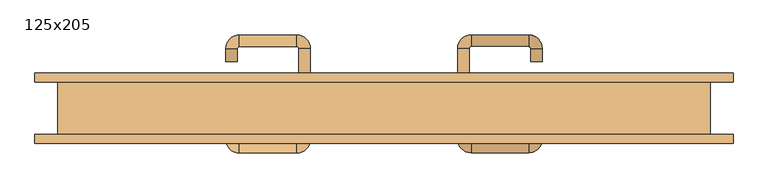
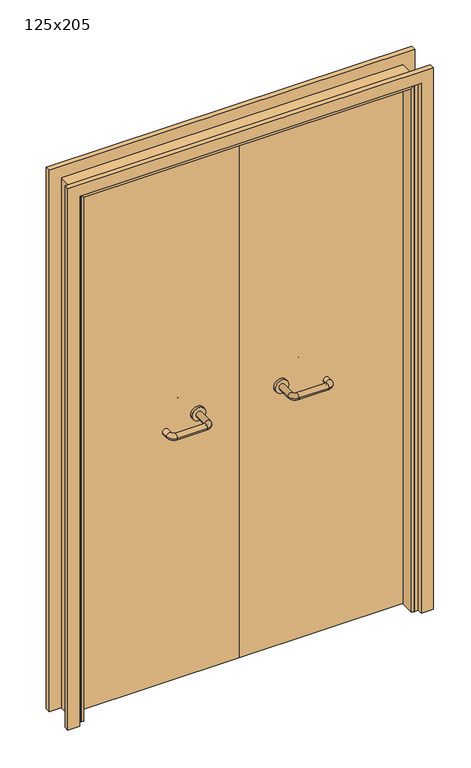
"""IFC4 building model written with IfcOpenShell, lengths in millimetres: door geometry, 125x205."""

from ifc_helpers import new_model, si_unit, point, frame, frame_2d, origin, place, context, project, spatial, polyline, circle_curve, ellipse_curve, trimmed, segment, composite_curve, outline, extrude, faceted_brep, source, transform, mapped, element, save
from ifc_brep_helpers import plane_surface, cylinder_surface, revolved_surface, advanced_brep


def door_125x205_341a5935(model_context):
    return source(origin(), model_context, "Body", "SolidModel", [
        faceted_brep([(-600.0, 3.0, 0.0), (-600.0, -49.0, 0.0), (-610.0, -49.0, 0.0), (-610.0, 3.0, 0.0), (-600.0, 3.0, 2025.0), (-600.0, -49.0, 2025.0), (-610.0, -49.0, 2035.0), (-610.0, 3.0, 2035.0), (600.0, 3.0, 0.0), (610.0, 3.0, 0.0), (610.0, -49.0, 0.0), (600.0, -49.0, 0.0), (600.0, 3.0, 2025.0), (610.0, 3.0, 2035.0), (610.0, -49.0, 2035.0), (600.0, -49.0, 2025.0)], [[[0, 1, 2, 3]], [[1, 0, 4, 5]], [[2, 1, 5, 6]], [[3, 2, 6, 7]], [[0, 3, 7, 4]], [[8, 9, 10, 11]], [[12, 13, 9, 8]], [[13, 14, 10, 9]], [[14, 15, 11, 10]], [[15, 12, 8, 11]], [[5, 4, 12, 15]], [[6, 5, 15, 14]], [[7, 6, 14, 13]], [[4, 7, 13, 12]]]),
        extrude(outline(polyline([(2094.0, 669.0), (2094.0, -669.0), (0.0, -669.0), (0.0, -625.0), (2050.0, -625.0), (2050.0, 625.0), (0.0, 625.0), (0.0, 669.0), (2094.0, 669.0)])), frame((0.0, 50.0, 0.0), z_axis=(0.0, 1.0, 0.0), x_axis=(0.0, 0.0, 1.0)), (0.0, 0.0, 1.0), 18.0),
        extrude(outline(polyline([(2094.0, -669.0), (0.0, -669.0), (0.0, -625.0), (2050.0, -625.0), (2050.0, 625.0), (0.0, 625.0), (0.0, 669.0), (2094.0, 669.0), (2094.0, -669.0)])), frame((0.0, -68.0, 0.0), z_axis=(0.0, 1.0, 0.0), x_axis=(0.0, 0.0, 1.0)), (0.0, 0.0, 1.0), 18.0),
        extrude(outline(polyline([(2050.0, -625.0), (0.0, -625.0), (0.0, -610.0), (2035.0, -610.0), (2035.0, 610.0), (0.0, 610.0), (0.0, 625.0), (2050.0, 625.0), (2050.0, -625.0)])), frame((0.0, -49.0, 0.0), z_axis=(0.0, 1.0, 0.0), x_axis=(0.0, 0.0, 1.0)), (0.0, 0.0, 1.0), 99.0),
        advanced_brep(
        [(140.99898, -4.0, 1003.0), (162.99898, -4.0, 1003.0), (140.99898, -59.3525369, 1003.0), (162.99898, -59.3525369, 1003.0), (166.99898, -63.3525369, 1003.0), (166.99898, -85.3525369, 1003.0), (276.99898, -85.3525369, 1003.0), (276.99898, -63.3525369, 1003.0), (280.99898, -59.3525369, 1003.0), (302.99898, -59.3525369, 1003.0), (302.99898, -42.0, 1003.0), (280.99898, -42.0, 1003.0)],
        [
            (0, 1, circle_curve(frame((151.99898, -4.0, 1003.0), z_axis=(0.0, 1.0, 0.0), x_axis=(1.0, 0.0, 0.0)), 11.0)),
            (1, 0, circle_curve(frame((151.99898, -4.0, 1003.0), z_axis=(0.0, 1.0, 0.0), x_axis=(1.0, 0.0, 0.0)), 11.0)),
            (0, 2),
            (2, 3, circle_curve(frame((151.99898, -59.3525369, 1003.0), z_axis=(0.0, 1.0, 0.0), x_axis=(1.0, 0.0, 0.0)), 11.0)),
            (3, 1),
            (3, 2, circle_curve(frame((151.99898, -59.3525369, 1003.0), z_axis=(0.0, 1.0, 0.0), x_axis=(1.0, 0.0, 0.0)), 11.0)),
            (4, 3, circle_curve(frame((166.99898, -59.3525369, 1003.0), z_axis=(0.0, 0.0, -1.0), x_axis=(-1.0, 0.0, 0.0)), 4.0)),
            (2, 5, circle_curve(frame((166.99898, -59.3525369, 1003.0), z_axis=(0.0, 0.0, 1.0), x_axis=(-1.0, 0.0, 0.0)), 26.0)),
            (5, 4, circle_curve(frame((166.99898, -74.3525369, 1003.0), z_axis=(-1.0, 0.0, 0.0), x_axis=(0.0, 1.0, 0.0)), 11.0)),
            (4, 5, circle_curve(frame((166.99898, -74.3525369, 1003.0), z_axis=(-1.0, 0.0, 0.0), x_axis=(0.0, 1.0, 0.0)), 11.0)),
            (5, 6),
            (6, 7, circle_curve(frame((276.99898, -74.3525369, 1003.0), z_axis=(-1.0, 0.0, 0.0), x_axis=(0.0, 1.0, 0.0)), 11.0)),
            (7, 4),
            (7, 6, circle_curve(frame((276.99898, -74.3525369, 1003.0), z_axis=(-1.0, 0.0, 0.0), x_axis=(0.0, 1.0, 0.0)), 11.0)),
            (8, 7, circle_curve(frame((276.99898, -59.3525369, 1003.0), z_axis=(0.0, 0.0, -1.0), x_axis=(0.0, -1.0, 0.0)), 4.0)),
            (6, 9, circle_curve(frame((276.99898, -59.3525369, 1003.0), z_axis=(0.0, 0.0, 1.0), x_axis=(0.0, -1.0, 0.0)), 26.0)),
            (9, 8, circle_curve(frame((291.99898, -59.3525369, 1003.0), z_axis=(0.0, -1.0, 0.0), x_axis=(-1.0, 0.0, 0.0)), 11.0)),
            (8, 9, circle_curve(frame((291.99898, -59.3525369, 1003.0), z_axis=(0.0, -1.0, 0.0), x_axis=(-1.0, 0.0, 0.0)), 11.0)),
            (10, 11, circle_curve(frame((291.99898, -42.0, 1003.0), z_axis=(0.0, 1.0, 0.0), x_axis=(-1.0, 0.0, 0.0)), 11.0)),
            (11, 10, circle_curve(frame((291.99898, -42.0, 1003.0), z_axis=(0.0, 1.0, 0.0), x_axis=(-1.0, 0.0, 0.0)), 11.0)),
            (9, 10),
            (11, 8),
        ],
        [
            plane_surface(frame((140.99898, -4.0, 1003.0), z_axis=(0.0, 1.0, 0.0), x_axis=(0.0, 0.0, -1.0))),
            cylinder_surface(frame((151.99898, -4.0, 1003.0), z_axis=(0.0, 1.0, 0.0), x_axis=(1.0, 0.0, 0.0)), 11.0),
            revolved_surface(trimmed(ellipse_curve(frame((151.99898, -59.3525369, 1003.0), z_axis=(0.0, 1.0, 0.0), x_axis=(1.0, 0.0, 0.0)), 11.0, 11.0), [point((140.99898, -59.3525369, 1003.0))], [point((162.99898, -59.3525369, 1003.0))], True, "CARTESIAN"), (166.99898, -59.3525369, 1003.0), (0.0, 0.0, 1.0)),
            revolved_surface(trimmed(ellipse_curve(frame((151.99898, -59.3525369, 1003.0), z_axis=(0.0, 1.0, 0.0), x_axis=(1.0, 0.0, 0.0)), 11.0, 11.0), [point((162.99898, -59.3525369, 1003.0))], [point((140.99898, -59.3525369, 1003.0))], True, "CARTESIAN"), (166.99898, -59.3525369, 1003.0), (0.0, 0.0, 1.0)),
            cylinder_surface(frame((166.99898, -74.3525369, 1003.0), z_axis=(-1.0, 0.0, 0.0), x_axis=(0.0, 1.0, 0.0)), 11.0),
            revolved_surface(trimmed(ellipse_curve(frame((276.99898, -74.3525369, 1003.0), z_axis=(-1.0, 0.0, 0.0), x_axis=(0.0, 1.0, 0.0)), 11.0, 11.0), [point((276.99898, -85.3525369, 1003.0))], [point((276.99898, -63.3525369, 1003.0))], True, "CARTESIAN"), (276.99898, -59.3525369, 1003.0), (0.0, 0.0, 1.0)),
            revolved_surface(trimmed(ellipse_curve(frame((276.99898, -74.3525369, 1003.0), z_axis=(-1.0, 0.0, 0.0), x_axis=(0.0, 1.0, 0.0)), 11.0, 11.0), [point((276.99898, -63.3525369, 1003.0))], [point((276.99898, -85.3525369, 1003.0))], True, "CARTESIAN"), (276.99898, -59.3525369, 1003.0), (0.0, 0.0, 1.0)),
            plane_surface(frame((280.99898, -42.0, 1003.0), z_axis=(0.0, 1.0, 0.0), x_axis=(0.0, 0.0, 1.0))),
            cylinder_surface(frame((291.99898, -59.3525369, 1003.0), z_axis=(0.0, -1.0, 0.0), x_axis=(-1.0, 0.0, 0.0)), 11.0),
        ],
        [
            (0, [[1, 2]]),
            (1, [[-1, 3, 4, 5]]),
            (1, [[-2, -5, 6, -3]]),
            (2, [[7, -4, 8, 9]]),
            (3, [[-8, -6, -7, 10]]),
            (4, [[-9, 11, 12, 13]]),
            (4, [[-10, -13, 14, -11]]),
            (5, [[15, -12, 16, 17]]),
            (6, [[-16, -14, -15, 18]]),
            (7, [[19, 20]]),
            (8, [[-17, 21, -20, 22]]),
            (8, [[-18, -22, -19, -21]]),
        ],
    ),
        extrude(outline(composite_curve([segment(trimmed(circle_curve(frame_2d((1003.0, 151.99898)), 25.0), [point((1003.0, 126.99898))], [point((1003.0, 176.99898))], False, "CARTESIAN"), True, "CONTINUOUS"), segment(trimmed(circle_curve(frame_2d((1003.0, 151.99898)), 25.0), [point((1003.0, 176.99898))], [point((1003.0, 126.99898))], False, "CARTESIAN"), True, "CONTINUOUS")], self_intersect=False)), frame((0.0, -4.0, 0.0), z_axis=(0.0, 1.0, 0.0), x_axis=(0.0, 0.0, 1.0)), (0.0, 0.0, 1.0), 10.0),
        advanced_brep(
        [(162.99898, 60.0, 1003.0), (140.99898, 60.0, 1003.0), (162.99898, 115.0, 1003.0), (140.99898, 115.0, 1003.0), (166.99898, 141.0, 1003.0), (166.99898, 119.0, 1003.0), (276.99898, 119.0, 1003.0), (276.99898, 141.0, 1003.0), (302.99898, 115.0, 1003.0), (280.99898, 115.0, 1003.0), (280.99898, 90.0, 1003.0), (302.99898, 90.0, 1003.0)],
        [
            (0, 1, circle_curve(frame((151.99898, 60.0, 1003.0), z_axis=(0.0, -1.0, 0.0), x_axis=(-1.0, 0.0, 0.0)), 11.0)),
            (1, 0, circle_curve(frame((151.99898, 60.0, 1003.0), z_axis=(0.0, -1.0, 0.0), x_axis=(-1.0, 0.0, 0.0)), 11.0)),
            (0, 2),
            (2, 3, circle_curve(frame((151.99898, 115.0, 1003.0), z_axis=(0.0, -1.0, 0.0), x_axis=(-1.0, 0.0, 0.0)), 11.0)),
            (3, 1),
            (3, 2, circle_curve(frame((151.99898, 115.0, 1003.0), z_axis=(0.0, -1.0, 0.0), x_axis=(-1.0, 0.0, 0.0)), 11.0)),
            (4, 3, circle_curve(frame((166.99898, 115.0, 1003.0), z_axis=(0.0, 0.0, 1.0), x_axis=(-1.0, 0.0, 0.0)), 26.0)),
            (2, 5, circle_curve(frame((166.99898, 115.0, 1003.0), z_axis=(0.0, 0.0, -1.0), x_axis=(-1.0, 0.0, 0.0)), 4.0)),
            (5, 4, circle_curve(frame((166.99898, 130.0, 1003.0), z_axis=(-1.0, 0.0, 0.0), x_axis=(0.0, 1.0, 0.0)), 11.0)),
            (4, 5, circle_curve(frame((166.99898, 130.0, 1003.0), z_axis=(-1.0, 0.0, 0.0), x_axis=(0.0, 1.0, 0.0)), 11.0)),
            (5, 6),
            (6, 7, circle_curve(frame((276.99898, 130.0, 1003.0), z_axis=(-1.0, 0.0, 0.0), x_axis=(0.0, 1.0, 0.0)), 11.0)),
            (7, 4),
            (7, 6, circle_curve(frame((276.99898, 130.0, 1003.0), z_axis=(-1.0, 0.0, 0.0), x_axis=(0.0, 1.0, 0.0)), 11.0)),
            (8, 7, circle_curve(frame((276.99898, 115.0, 1003.0), z_axis=(0.0, 0.0, 1.0), x_axis=(0.0, 1.0, 0.0)), 26.0)),
            (6, 9, circle_curve(frame((276.99898, 115.0, 1003.0), z_axis=(0.0, 0.0, -1.0), x_axis=(0.0, 1.0, 0.0)), 4.0)),
            (9, 8, circle_curve(frame((291.99898, 115.0, 1003.0), z_axis=(0.0, 1.0, 0.0), x_axis=(1.0, 0.0, 0.0)), 11.0)),
            (8, 9, circle_curve(frame((291.99898, 115.0, 1003.0), z_axis=(0.0, 1.0, 0.0), x_axis=(1.0, 0.0, 0.0)), 11.0)),
            (10, 11, circle_curve(frame((291.99898, 90.0, 1003.0), z_axis=(0.0, -1.0, 0.0), x_axis=(1.0, 0.0, 0.0)), 11.0)),
            (11, 10, circle_curve(frame((291.99898, 90.0, 1003.0), z_axis=(0.0, -1.0, 0.0), x_axis=(1.0, 0.0, 0.0)), 11.0)),
            (9, 10),
            (11, 8),
        ],
        [
            plane_surface(frame((140.99898, 60.0, 1003.0), z_axis=(0.0, -1.0, 0.0), x_axis=(0.0, 0.0, 1.0))),
            cylinder_surface(frame((151.99898, 60.0, 1003.0), z_axis=(0.0, -1.0, 0.0), x_axis=(-1.0, 0.0, 0.0)), 11.0),
            revolved_surface(trimmed(ellipse_curve(frame((151.99898, 115.0, 1003.0), z_axis=(0.0, -1.0, 0.0), x_axis=(-1.0, 0.0, 0.0)), 11.0, 11.0), [point((162.99898, 115.0, 1003.0))], [point((140.99898, 115.0, 1003.0))], True, "CARTESIAN"), (166.99898, 115.0, 1003.0), (0.0, 0.0, -1.0)),
            revolved_surface(trimmed(ellipse_curve(frame((151.99898, 115.0, 1003.0), z_axis=(0.0, -1.0, 0.0), x_axis=(-1.0, 0.0, 0.0)), 11.0, 11.0), [point((140.99898, 115.0, 1003.0))], [point((162.99898, 115.0, 1003.0))], True, "CARTESIAN"), (166.99898, 115.0, 1003.0), (0.0, 0.0, -1.0)),
            cylinder_surface(frame((166.99898, 130.0, 1003.0), z_axis=(-1.0, 0.0, 0.0), x_axis=(0.0, 1.0, 0.0)), 11.0),
            revolved_surface(trimmed(ellipse_curve(frame((276.99898, 130.0, 1003.0), z_axis=(-1.0, 0.0, 0.0), x_axis=(0.0, 1.0, 0.0)), 11.0, 11.0), [point((276.99898, 119.0, 1003.0))], [point((276.99898, 141.0, 1003.0))], True, "CARTESIAN"), (276.99898, 115.0, 1003.0), (0.0, 0.0, -1.0)),
            revolved_surface(trimmed(ellipse_curve(frame((276.99898, 130.0, 1003.0), z_axis=(-1.0, 0.0, 0.0), x_axis=(0.0, 1.0, 0.0)), 11.0, 11.0), [point((276.99898, 141.0, 1003.0))], [point((276.99898, 119.0, 1003.0))], True, "CARTESIAN"), (276.99898, 115.0, 1003.0), (0.0, 0.0, -1.0)),
            plane_surface(frame((280.99898, 90.0, 1003.0), z_axis=(0.0, -1.0, 0.0), x_axis=(0.0, 0.0, -1.0))),
            cylinder_surface(frame((291.99898, 115.0, 1003.0), z_axis=(0.0, 1.0, 0.0), x_axis=(1.0, 0.0, 0.0)), 11.0),
        ],
        [
            (0, [[1, 2]]),
            (1, [[-1, 3, 4, 5]]),
            (1, [[-2, -5, 6, -3]]),
            (2, [[7, -4, 8, 9]]),
            (3, [[-8, -6, -7, 10]]),
            (4, [[-9, 11, 12, 13]]),
            (4, [[-10, -13, 14, -11]]),
            (5, [[15, -12, 16, 17]]),
            (6, [[-16, -14, -15, 18]]),
            (7, [[19, 20]]),
            (8, [[-17, 21, -20, 22]]),
            (8, [[-18, -22, -19, -21]]),
        ],
    ),
        extrude(outline(composite_curve([segment(trimmed(circle_curve(frame_2d((1003.0, 151.99898)), 25.0), [point((1003.0, 176.99898))], [point((1003.0, 126.99898))], False, "CARTESIAN"), True, "CONTINUOUS"), segment(trimmed(circle_curve(frame_2d((1003.0, 151.99898)), 25.0), [point((1003.0, 126.99898))], [point((1003.0, 176.99898))], False, "CARTESIAN"), True, "CONTINUOUS")], self_intersect=False)), frame((0.0, 50.0, 0.0), z_axis=(0.0, 1.0, 0.0), x_axis=(0.0, 0.0, 1.0)), (0.0, 0.0, 1.0), 10.0),
        advanced_brep(
        [(-162.99898, -4.3113879, 1003.0), (-140.99898, -4.3113879, 1003.0), (-162.99898, -59.7220447, 1003.0), (-140.99898, -59.7220447, 1003.0), (-166.99898, -85.7220447, 1003.0), (-166.99898, -63.7220447, 1003.0), (-276.99898, -63.7220447, 1003.0), (-276.99898, -85.7220447, 1003.0), (-302.99898, -59.7220447, 1003.0), (-280.99898, -59.7220447, 1003.0), (-280.99898, -34.7220447, 1003.0), (-302.99898, -34.7220447, 1003.0)],
        [
            (0, 1, circle_curve(frame((-151.99898, -4.3113879, 1003.0), z_axis=(0.0, 1.0, 0.0), x_axis=(1.0, 0.0, 0.0)), 11.0)),
            (1, 0, circle_curve(frame((-151.99898, -4.3113879, 1003.0), z_axis=(0.0, 1.0, 0.0), x_axis=(1.0, 0.0, 0.0)), 11.0)),
            (0, 2),
            (2, 3, circle_curve(frame((-151.99898, -59.7220447, 1003.0), z_axis=(0.0, 1.0, 0.0), x_axis=(1.0, 0.0, 0.0)), 11.0)),
            (3, 1),
            (3, 2, circle_curve(frame((-151.99898, -59.7220447, 1003.0), z_axis=(0.0, 1.0, 0.0), x_axis=(1.0, 0.0, 0.0)), 11.0)),
            (4, 3, circle_curve(frame((-166.99898, -59.7220447, 1003.0), z_axis=(0.0, 0.0, 1.0), x_axis=(1.0, 0.0, 0.0)), 26.0)),
            (2, 5, circle_curve(frame((-166.99898, -59.7220447, 1003.0), z_axis=(0.0, 0.0, -1.0), x_axis=(1.0, 0.0, 0.0)), 4.0)),
            (5, 4, circle_curve(frame((-166.99898, -74.7220447, 1003.0), z_axis=(1.0, 0.0, 0.0), x_axis=(0.0, -1.0, 0.0)), 11.0)),
            (4, 5, circle_curve(frame((-166.99898, -74.7220447, 1003.0), z_axis=(1.0, 0.0, 0.0), x_axis=(0.0, -1.0, 0.0)), 11.0)),
            (5, 6),
            (6, 7, circle_curve(frame((-276.99898, -74.7220447, 1003.0), z_axis=(1.0, 0.0, 0.0), x_axis=(0.0, -1.0, 0.0)), 11.0)),
            (7, 4),
            (7, 6, circle_curve(frame((-276.99898, -74.7220447, 1003.0), z_axis=(1.0, 0.0, 0.0), x_axis=(0.0, -1.0, 0.0)), 11.0)),
            (8, 7, circle_curve(frame((-276.99898, -59.7220447, 1003.0), z_axis=(0.0, 0.0, 1.0), x_axis=(0.0, -1.0, 0.0)), 26.0)),
            (6, 9, circle_curve(frame((-276.99898, -59.7220447, 1003.0), z_axis=(0.0, 0.0, -1.0), x_axis=(0.0, -1.0, 0.0)), 4.0)),
            (9, 8, circle_curve(frame((-291.99898, -59.7220447, 1003.0), z_axis=(0.0, -1.0, 0.0), x_axis=(-1.0, 0.0, 0.0)), 11.0)),
            (8, 9, circle_curve(frame((-291.99898, -59.7220447, 1003.0), z_axis=(0.0, -1.0, 0.0), x_axis=(-1.0, 0.0, 0.0)), 11.0)),
            (10, 11, circle_curve(frame((-291.99898, -34.7220447, 1003.0), z_axis=(0.0, 1.0, 0.0), x_axis=(-1.0, 0.0, 0.0)), 11.0)),
            (11, 10, circle_curve(frame((-291.99898, -34.7220447, 1003.0), z_axis=(0.0, 1.0, 0.0), x_axis=(-1.0, 0.0, 0.0)), 11.0)),
            (9, 10),
            (11, 8),
        ],
        [
            plane_surface(frame((-162.99898, -4.3113879, 1003.0), z_axis=(0.0, 1.0, 0.0), x_axis=(0.0, 0.0, -1.0))),
            cylinder_surface(frame((-151.99898, -4.3113879, 1003.0), z_axis=(0.0, 1.0, 0.0), x_axis=(1.0, 0.0, 0.0)), 11.0),
            revolved_surface(trimmed(ellipse_curve(frame((-151.99898, -59.7220447, 1003.0), z_axis=(0.0, 1.0, 0.0), x_axis=(1.0, 0.0, 0.0)), 11.0, 11.0), [point((-162.99898, -59.7220447, 1003.0))], [point((-140.99898, -59.7220447, 1003.0))], True, "CARTESIAN"), (-166.99898, -59.7220447, 1003.0), (0.0, 0.0, -1.0)),
            revolved_surface(trimmed(ellipse_curve(frame((-151.99898, -59.7220447, 1003.0), z_axis=(0.0, 1.0, 0.0), x_axis=(1.0, 0.0, 0.0)), 11.0, 11.0), [point((-140.99898, -59.7220447, 1003.0))], [point((-162.99898, -59.7220447, 1003.0))], True, "CARTESIAN"), (-166.99898, -59.7220447, 1003.0), (0.0, 0.0, -1.0)),
            cylinder_surface(frame((-166.99898, -74.7220447, 1003.0), z_axis=(1.0, 0.0, 0.0), x_axis=(0.0, -1.0, 0.0)), 11.0),
            revolved_surface(trimmed(ellipse_curve(frame((-276.99898, -74.7220447, 1003.0), z_axis=(1.0, 0.0, 0.0), x_axis=(0.0, -1.0, 0.0)), 11.0, 11.0), [point((-276.99898, -63.7220447, 1003.0))], [point((-276.99898, -85.7220447, 1003.0))], True, "CARTESIAN"), (-276.99898, -59.7220447, 1003.0), (0.0, 0.0, -1.0)),
            revolved_surface(trimmed(ellipse_curve(frame((-276.99898, -74.7220447, 1003.0), z_axis=(1.0, 0.0, 0.0), x_axis=(0.0, -1.0, 0.0)), 11.0, 11.0), [point((-276.99898, -85.7220447, 1003.0))], [point((-276.99898, -63.7220447, 1003.0))], True, "CARTESIAN"), (-276.99898, -59.7220447, 1003.0), (0.0, 0.0, -1.0)),
            plane_surface(frame((-302.99898, -34.7220447, 1003.0), z_axis=(0.0, 1.0, 0.0), x_axis=(0.0, 0.0, 1.0))),
            cylinder_surface(frame((-291.99898, -59.7220447, 1003.0), z_axis=(0.0, -1.0, 0.0), x_axis=(-1.0, 0.0, 0.0)), 11.0),
        ],
        [
            (0, [[1, 2]]),
            (1, [[-1, 3, 4, 5]]),
            (1, [[-2, -5, 6, -3]]),
            (2, [[7, -4, 8, 9]]),
            (3, [[-8, -6, -7, 10]]),
            (4, [[-9, 11, 12, 13]]),
            (4, [[-10, -13, 14, -11]]),
            (5, [[15, -12, 16, 17]]),
            (6, [[-16, -14, -15, 18]]),
            (7, [[19, 20]]),
            (8, [[-17, 21, -20, 22]]),
            (8, [[-18, -22, -19, -21]]),
        ],
    ),
        extrude(outline(composite_curve([segment(trimmed(circle_curve(frame_2d((1003.0, -151.99898)), 25.0), [point((1003.0, -176.99898))], [point((1003.0, -126.99898))], False, "CARTESIAN"), True, "CONTINUOUS"), segment(trimmed(circle_curve(frame_2d((1003.0, -151.99898)), 25.0), [point((1003.0, -126.99898))], [point((1003.0, -176.99898))], False, "CARTESIAN"), True, "CONTINUOUS")], self_intersect=False)), frame((0.0, -4.3113879, 0.0), z_axis=(0.0, 1.0, 0.0), x_axis=(0.0, 0.0, 1.0)), (0.0, 0.0, 1.0), 10.3113879),
        advanced_brep(
        [(-140.99898, 59.5143417, 1003.0), (-162.99898, 59.5143417, 1003.0), (-140.99898, 114.6104656, 1003.0), (-162.99898, 114.6104656, 1003.0), (-166.99898, 118.6104656, 1003.0), (-166.99898, 140.6104656, 1003.0), (-276.99898, 140.6104656, 1003.0), (-276.99898, 118.6104656, 1003.0), (-280.99898, 114.6104656, 1003.0), (-302.99898, 114.6104656, 1003.0), (-302.99898, 89.6104656, 1003.0), (-280.99898, 89.6104656, 1003.0)],
        [
            (0, 1, circle_curve(frame((-151.99898, 59.5143417, 1003.0), z_axis=(0.0, -1.0, 0.0), x_axis=(-1.0, 0.0, 0.0)), 11.0)),
            (1, 0, circle_curve(frame((-151.99898, 59.5143417, 1003.0), z_axis=(0.0, -1.0, 0.0), x_axis=(-1.0, 0.0, 0.0)), 11.0)),
            (0, 2),
            (2, 3, circle_curve(frame((-151.99898, 114.6104656, 1003.0), z_axis=(0.0, -1.0, 0.0), x_axis=(-1.0, 0.0, 0.0)), 11.0)),
            (3, 1),
            (3, 2, circle_curve(frame((-151.99898, 114.6104656, 1003.0), z_axis=(0.0, -1.0, 0.0), x_axis=(-1.0, 0.0, 0.0)), 11.0)),
            (4, 3, circle_curve(frame((-166.99898, 114.6104656, 1003.0), z_axis=(0.0, 0.0, -1.0), x_axis=(1.0, 0.0, 0.0)), 4.0)),
            (2, 5, circle_curve(frame((-166.99898, 114.6104656, 1003.0), z_axis=(0.0, 0.0, 1.0), x_axis=(1.0, 0.0, 0.0)), 26.0)),
            (5, 4, circle_curve(frame((-166.99898, 129.6104656, 1003.0), z_axis=(1.0, 0.0, 0.0), x_axis=(0.0, -1.0, 0.0)), 11.0)),
            (4, 5, circle_curve(frame((-166.99898, 129.6104656, 1003.0), z_axis=(1.0, 0.0, 0.0), x_axis=(0.0, -1.0, 0.0)), 11.0)),
            (5, 6),
            (6, 7, circle_curve(frame((-276.99898, 129.6104656, 1003.0), z_axis=(1.0, 0.0, 0.0), x_axis=(0.0, -1.0, 0.0)), 11.0)),
            (7, 4),
            (7, 6, circle_curve(frame((-276.99898, 129.6104656, 1003.0), z_axis=(1.0, 0.0, 0.0), x_axis=(0.0, -1.0, 0.0)), 11.0)),
            (8, 7, circle_curve(frame((-276.99898, 114.6104656, 1003.0), z_axis=(0.0, 0.0, -1.0), x_axis=(0.0, 1.0, 0.0)), 4.0)),
            (6, 9, circle_curve(frame((-276.99898, 114.6104656, 1003.0), z_axis=(0.0, 0.0, 1.0), x_axis=(0.0, 1.0, 0.0)), 26.0)),
            (9, 8, circle_curve(frame((-291.99898, 114.6104656, 1003.0), z_axis=(0.0, 1.0, 0.0), x_axis=(1.0, 0.0, 0.0)), 11.0)),
            (8, 9, circle_curve(frame((-291.99898, 114.6104656, 1003.0), z_axis=(0.0, 1.0, 0.0), x_axis=(1.0, 0.0, 0.0)), 11.0)),
            (10, 11, circle_curve(frame((-291.99898, 89.6104656, 1003.0), z_axis=(0.0, -1.0, 0.0), x_axis=(1.0, 0.0, 0.0)), 11.0)),
            (11, 10, circle_curve(frame((-291.99898, 89.6104656, 1003.0), z_axis=(0.0, -1.0, 0.0), x_axis=(1.0, 0.0, 0.0)), 11.0)),
            (9, 10),
            (11, 8),
        ],
        [
            plane_surface(frame((-162.99898, 59.5143417, 1003.0), z_axis=(0.0, -1.0, 0.0), x_axis=(0.0, 0.0, 1.0))),
            cylinder_surface(frame((-151.99898, 59.5143417, 1003.0), z_axis=(0.0, -1.0, 0.0), x_axis=(-1.0, 0.0, 0.0)), 11.0),
            revolved_surface(trimmed(ellipse_curve(frame((-151.99898, 114.6104656, 1003.0), z_axis=(0.0, -1.0, 0.0), x_axis=(-1.0, 0.0, 0.0)), 11.0, 11.0), [point((-140.99898, 114.6104656, 1003.0))], [point((-162.99898, 114.6104656, 1003.0))], True, "CARTESIAN"), (-166.99898, 114.6104656, 1003.0), (0.0, 0.0, 1.0)),
            revolved_surface(trimmed(ellipse_curve(frame((-151.99898, 114.6104656, 1003.0), z_axis=(0.0, -1.0, 0.0), x_axis=(-1.0, 0.0, 0.0)), 11.0, 11.0), [point((-162.99898, 114.6104656, 1003.0))], [point((-140.99898, 114.6104656, 1003.0))], True, "CARTESIAN"), (-166.99898, 114.6104656, 1003.0), (0.0, 0.0, 1.0)),
            cylinder_surface(frame((-166.99898, 129.6104656, 1003.0), z_axis=(1.0, 0.0, 0.0), x_axis=(0.0, -1.0, 0.0)), 11.0),
            revolved_surface(trimmed(ellipse_curve(frame((-276.99898, 129.6104656, 1003.0), z_axis=(1.0, 0.0, 0.0), x_axis=(0.0, -1.0, 0.0)), 11.0, 11.0), [point((-276.99898, 140.6104656, 1003.0))], [point((-276.99898, 118.6104656, 1003.0))], True, "CARTESIAN"), (-276.99898, 114.6104656, 1003.0), (0.0, 0.0, 1.0)),
            revolved_surface(trimmed(ellipse_curve(frame((-276.99898, 129.6104656, 1003.0), z_axis=(1.0, 0.0, 0.0), x_axis=(0.0, -1.0, 0.0)), 11.0, 11.0), [point((-276.99898, 118.6104656, 1003.0))], [point((-276.99898, 140.6104656, 1003.0))], True, "CARTESIAN"), (-276.99898, 114.6104656, 1003.0), (0.0, 0.0, 1.0)),
            plane_surface(frame((-302.99898, 89.6104656, 1003.0), z_axis=(0.0, -1.0, 0.0), x_axis=(0.0, 0.0, -1.0))),
            cylinder_surface(frame((-291.99898, 114.6104656, 1003.0), z_axis=(0.0, 1.0, 0.0), x_axis=(1.0, 0.0, 0.0)), 11.0),
        ],
        [
            (0, [[1, 2]]),
            (1, [[-1, 3, 4, 5]]),
            (1, [[-2, -5, 6, -3]]),
            (2, [[7, -4, 8, 9]]),
            (3, [[-8, -6, -7, 10]]),
            (4, [[-9, 11, 12, 13]]),
            (4, [[-10, -13, 14, -11]]),
            (5, [[15, -12, 16, 17]]),
            (6, [[-16, -14, -15, 18]]),
            (7, [[19, 20]]),
            (8, [[-17, 21, -20, 22]]),
            (8, [[-18, -22, -19, -21]]),
        ],
    ),
        extrude(outline(composite_curve([segment(trimmed(circle_curve(frame_2d((1003.0, -151.99898)), 25.0), [point((1003.0, -126.99898))], [point((1003.0, -176.99898))], False, "CARTESIAN"), True, "CONTINUOUS"), segment(trimmed(circle_curve(frame_2d((1003.0, -151.99898)), 25.0), [point((1003.0, -176.99898))], [point((1003.0, -126.99898))], False, "CARTESIAN"), True, "CONTINUOUS")], self_intersect=False)), frame((0.0, 50.0, 0.0), z_axis=(0.0, 1.0, 0.0), x_axis=(0.0, 0.0, 1.0)), (0.0, 0.0, 1.0), 9.5143417),
        extrude(outline(polyline([(1.0739506, 6.0), (-607.0, 6.0), (-607.0, 50.0), (1.0739506, 50.0), (1.0739506, 6.0)])), frame((0.0, 0.0, 1.753223), z_axis=(0.0, 0.0, 1.0), x_axis=(1.0, 0.0, 0.0)), (0.0, 0.0, 1.0), 2024.246777),
        extrude(outline(polyline([(607.0, 6.0), (1.0739506, 6.0), (1.0739506, 50.0), (607.0, 50.0), (607.0, 6.0)])), frame((0.0, 0.0, 1.753223), z_axis=(0.0, 0.0, 1.0), x_axis=(1.0, 0.0, 0.0)), (0.0, 0.0, 1.0), 2033.246777),
    ])


if __name__ == "__main__":
    model = new_model("IFC4")
    model_context = context("Model", 3, world=origin())
    ifc_project = project(units=[si_unit("LENGTHUNIT", "METRE", prefix="MILLI")], contexts=[model_context])
    site = spatial("IfcSite", under=ifc_project)
    building = spatial("IfcBuilding", under=site)
    placement = place(None, origin())
    door_125x205_shape = door_125x205_341a5935(model_context)
    element("IfcDoor", 1, ObjectType="125x205", at=placement, inside=building, context=model_context, shape_type="MappedRepresentation", body=[
        mapped(door_125x205_shape, transform((0.0, 0.0, 0.0), x_axis=(1.0, 0.0, 0.0), y_axis=(0.0, 1.0, 0.0), z_axis=(0.0, 0.0, 1.0))),
    ])
    save(model, "model.ifc")
